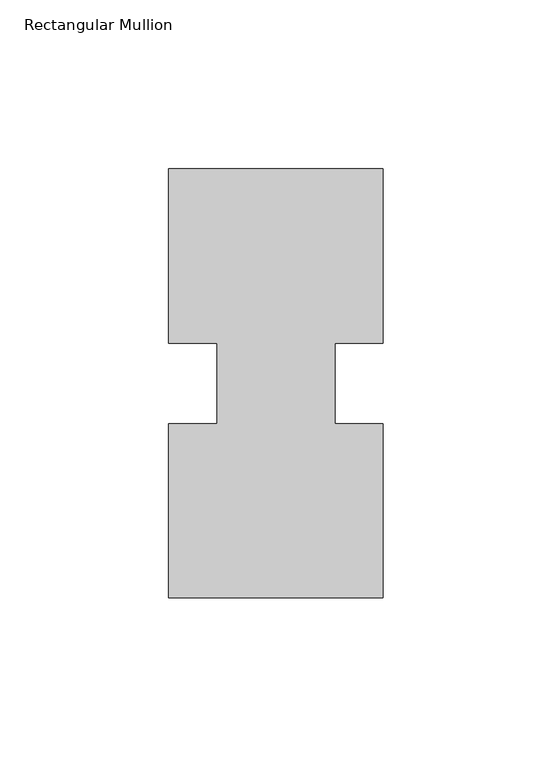
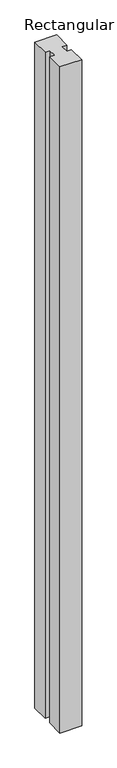
"""IFC4 building model written with IfcOpenShell, lengths in millimetres: member geometry, Rectangular Mullion."""

from ifc_helpers import new_model, si_unit, frame, origin, place, context, project, spatial, polyline, outline, extrude, source, transform, mapped, element, save


def rectangular_mullion_ae9a7bfe(model_context):
    return source(origin(), model_context, "Body", "SweptSolid", [
        extrude(outline(polyline([(-31.75, 127.00635), (31.75, 127.00635), (31.75, 75.40625), (17.4625, 75.40625), (17.4625, 51.60645), (31.75, 51.60645), (31.75, 0.00635), (-31.75, 0.00635), (-31.75, 51.60645), (-17.4625, 51.60645), (-17.4625, 75.40625), (-31.75, 75.40625), (-31.75, 127.00635)])), frame((0.0, 0.0, -2060.575), z_axis=(0.0, 0.0, 1.0), x_axis=(1.0, 0.0, 0.0)), (0.0, 0.0, 1.0), 2060.575),
    ])


if __name__ == "__main__":
    model = new_model("IFC4")
    model_context = context("Model", 3, world=origin())
    ifc_project = project(units=[si_unit("LENGTHUNIT", "METRE", prefix="MILLI")], contexts=[model_context])
    site = spatial("IfcSite", under=ifc_project)
    building = spatial("IfcBuilding", under=site)
    placement = place(None, origin())
    rectangular_mullion_shape = rectangular_mullion_ae9a7bfe(model_context)
    element("IfcMember", 1, ObjectType="Rectangular Mullion", at=placement, inside=building, context=model_context, shape_type="MappedRepresentation", body=[
        mapped(rectangular_mullion_shape, transform((0.0, 0.0, 0.0), x_axis=(1.0, 0.0, 0.0), y_axis=(0.0, 1.0, 0.0), z_axis=(0.0, 0.0, 1.0))),
    ])
    save(model, "model.ifc")
